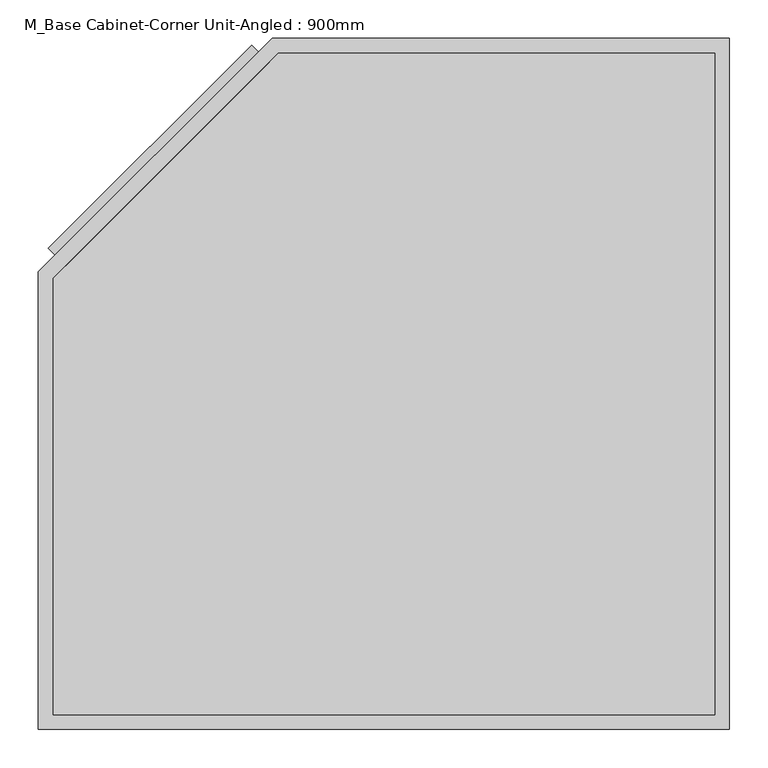
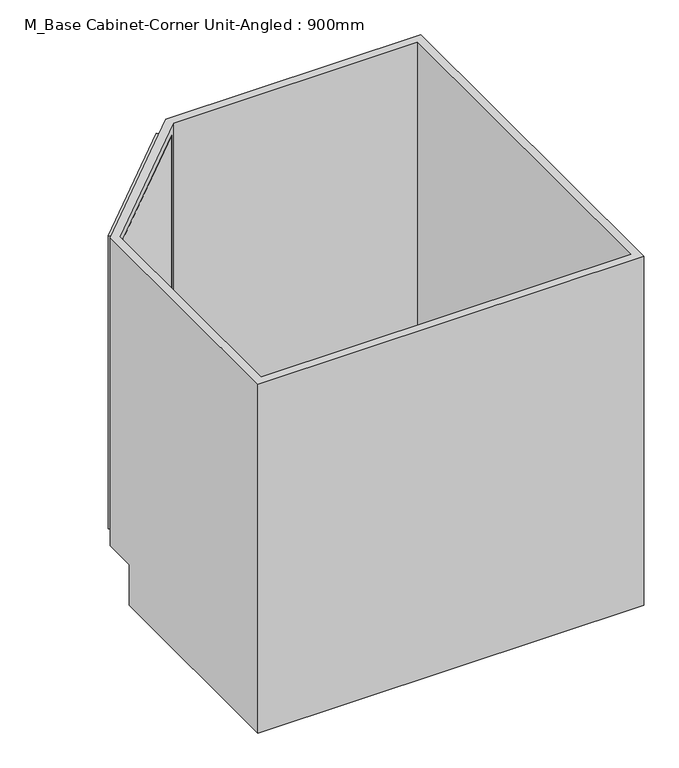
"""IFC4 building model written with IfcOpenShell, lengths in millimetres: furniture geometry, M_Base Cabinet-Corner Unit-Angled : 900mm."""

from ifc_helpers import new_model, si_unit, frame, origin, place, context, project, spatial, polyline, outline, extrude, faceted_brep, source, transform, mapped, element, save


def m_base_cabinet_corner_unit_angled_900mm_002575cc(model_context):
    return source(origin(), model_context, "Body", "SolidModel", [
        extrude(outline(polyline([(-109.5319116, 891.3284105), (-87.105109, 868.8539578), (-352.3035566, 604.2177794), (-374.7303593, 626.6922321), (-109.5319116, 891.3284105)])), frame((0.0, 0.0, 119.05), z_axis=(0.0, 0.0, 1.0), x_axis=(1.0, 0.0, 0.0)), (0.0, 0.0, 1.0), 721.9),
        faceted_brep([(512.3377049, 0.0, 860.0), (512.3377049, 900.0, 860.0), (-82.8622951, 900.0, 860.0), (-387.6622951, 595.8462317, 860.0), (-387.6622951, 0.0, 860.0), (-368.6122951, 587.9436184, 860.0), (-74.9833665, 880.95, 860.0), (493.2877049, 880.95, 860.0), (493.2877049, 19.05, 860.0), (-368.6122951, 19.05, 860.0), (-6.6622951, 900.0, 100.0), (-25.743465, 880.95, 100.0), (-74.9833665, 880.95, 100.0), (-368.6122951, 587.9436184, 100.0), (-368.6122951, 538.6412615, 100.0), (-387.6622951, 519.6223805, 100.0), (-387.6622951, 595.8462317, 100.0), (-82.8622951, 900.0, 100.0), (-387.6622951, 0.0, 0.0), (512.3377049, 0.0, 0.0), (-387.6622951, 519.6223805, 0.0), (-368.6122951, 19.05, 100.0), (493.2877049, 19.05, 100.0), (493.2877049, 880.95, 100.0), (512.3377049, 900.0, 0.0), (-6.6622951, 900.0, 0.0), (-100.5611906, 882.3386294, 840.95), (-365.7596382, 617.702451, 840.95), (-365.7596382, 617.702451, 119.05), (-100.5611906, 882.3386294, 119.05), (-87.105109, 868.8539578, 119.05), (-352.3035566, 604.2177794, 119.05), (-352.3035566, 604.2177794, 840.95), (-87.105109, 868.8539578, 840.95)], [[[0, 1, 2, 3, 4], [5, 6, 7, 8, 9]], [[10, 11, 12, 13, 14, 15, 16, 17]], [[4, 18, 19, 0]], [[3, 16, 15, 20, 18, 4]], [[9, 21, 14, 13, 5]], [[8, 22, 21, 9]], [[7, 23, 22, 8]], [[6, 12, 11, 23, 7]], [[1, 24, 25, 10, 17, 2]], [[0, 19, 24, 1]], [[14, 21, 22, 23, 11]], [[19, 18, 20, 25, 24]], [[20, 15, 14, 11, 10, 25]], [[2, 17, 16, 3], [26, 27, 28, 29]], [[5, 13, 12, 6], [30, 31, 32, 33]], [[30, 33, 26, 29]], [[29, 28, 31, 30]], [[28, 27, 32, 31]], [[33, 32, 27, 26]]]),
        extrude(outline(polyline([(493.2877049, 19.05), (-368.6122951, 19.05), (-368.6122951, 587.9436184), (-74.9833665, 880.95), (493.2877049, 880.95), (493.2877049, 19.05)])), frame((0.0, 0.0, 100.0), z_axis=(0.0, 0.0, 1.0), x_axis=(1.0, 0.0, 0.0)), (0.0, 0.0, 1.0), 19.05),
    ])


if __name__ == "__main__":
    model = new_model("IFC4")
    model_context = context("Model", 3, world=origin())
    ifc_project = project(units=[si_unit("LENGTHUNIT", "METRE", prefix="MILLI")], contexts=[model_context])
    site = spatial("IfcSite", under=ifc_project)
    building = spatial("IfcBuilding", under=site)
    placement = place(None, origin())
    m_base_cabinet_corner_unit_angled_900mm_shape = m_base_cabinet_corner_unit_angled_900mm_002575cc(model_context)
    element("IfcFurniture", 1, ObjectType="M_Base Cabinet-Corner Unit-Angled : 900mm", at=placement, inside=building, context=model_context, shape_type="MappedRepresentation", body=[
        mapped(m_base_cabinet_corner_unit_angled_900mm_shape, transform((0.0, 0.0, 0.0), x_axis=(1.0, 0.0, 0.0), y_axis=(0.0, 1.0, 0.0), z_axis=(0.0, 0.0, 1.0))),
    ])
    save(model, "model.ifc")
